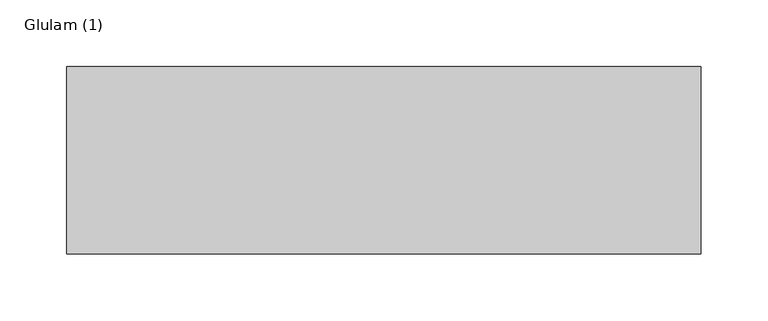
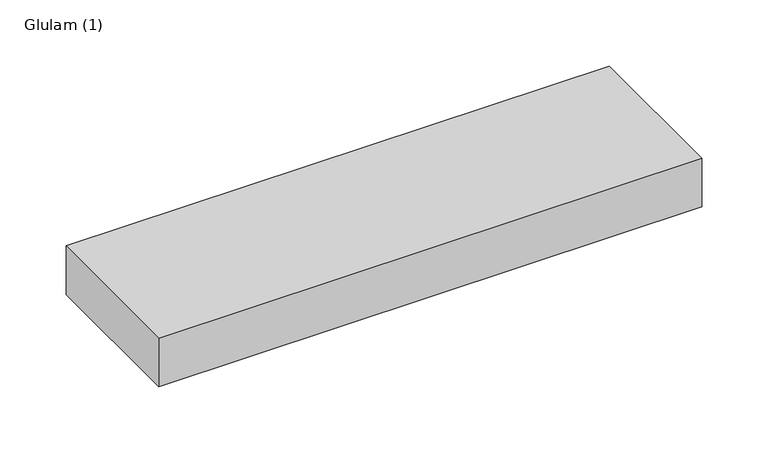
"""IFC4 building model written with IfcOpenShell, lengths in millimetres: beam geometry, Glulam (1)."""

from ifc_helpers import new_model, si_unit, frame, origin, place, context, project, spatial, polyline, outline, extrude, source, transform, mapped, element, save


def glulam_1_c8ec6fdb(model_context):
    return source(origin(), model_context, "Body", "SweptSolid", [
        extrude(outline(polyline([(237.0, 70.0), (237.0, -70.0), (-237.0, -70.0), (-237.0, 70.0), (237.0, 70.0)])), frame((0.0, 0.0, -22.5), z_axis=(0.0, 0.0, 1.0), x_axis=(1.0, 0.0, 0.0)), (0.0, 0.0, 1.0), 45.0),
    ])


if __name__ == "__main__":
    model = new_model("IFC4")
    model_context = context("Model", 3, world=origin())
    ifc_project = project(units=[si_unit("LENGTHUNIT", "METRE", prefix="MILLI")], contexts=[model_context])
    site = spatial("IfcSite", under=ifc_project)
    building = spatial("IfcBuilding", under=site)
    placement = place(None, origin())
    glulam_1_shape = glulam_1_c8ec6fdb(model_context)
    element("IfcBeam", 1, ObjectType="Glulam (1)", at=placement, inside=building, context=model_context, shape_type="MappedRepresentation", body=[
        mapped(glulam_1_shape, transform((0.0, 0.0, 0.0), x_axis=(1.0, 0.0, 0.0), y_axis=(0.0, 1.0, 0.0), z_axis=(0.0, 0.0, 1.0))),
    ])
    save(model, "model.ifc")
